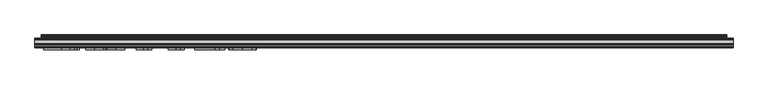
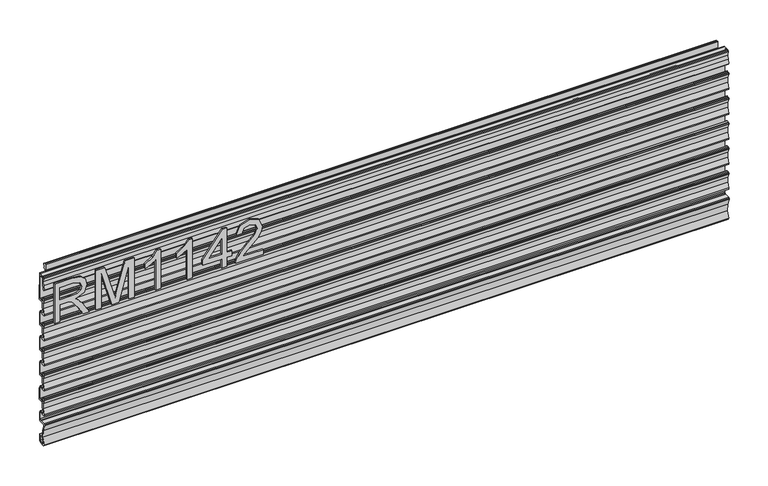
"""IFC4 building model written with IfcOpenShell, lengths in millimetres: furniture geometry."""

from ifc_helpers import new_model, si_unit, frame, origin, place, context, project, spatial, polyline, outline, extrude, source, transform, mapped, element, save


def furniture_b0a8d813(model_context):
    return source(origin(), model_context, "Body", "SweptSolid", [
        extrude(outline(polyline([(-1.5203251, 1100.0315975), (-1.9666925, 1098.9539562), (-3.0443248, 1098.507599), (-7.8320935, 1098.507599), (-9.2304101, 1097.8643606), (-9.6518461, 1096.3835826), (-9.6313991, 1090.0915793), (-11.5619729, 1084.1269724), (-11.1413331, 1081.7230857), (-9.089371, 1081.4978914), (-5.9789805, 1082.4986016), (-3.7842619, 1081.4611831), (-2.8942953, 1079.202818), (-2.8919245, 1059.3916181), (-3.3382919, 1058.3139768), (-4.4159247, 1057.8676014), (-7.8320935, 1057.8675832), (-9.2304101, 1057.2243631), (-9.6518461, 1055.743585), (-9.6313991, 1049.4515817), (-11.5724814, 1043.4664274), (-11.1413331, 1041.0830881), (-9.1141802, 1040.8498937), (-5.9789805, 1041.8585858), (-3.7842619, 1040.8211855), (-2.8919245, 1038.5636016), (-2.8919245, 1018.7516205), (-3.3382919, 1017.6739792), (-4.4159247, 1017.227622), (-7.8320935, 1017.2276038), (-9.2304101, 1016.5843655), (-9.6518461, 1015.1035965), (-9.6313991, 1008.8115841), (-11.5724814, 1002.8264389), (-11.1413331, 1000.4430905), (-9.0893321, 1000.2178997), (-5.9789805, 1001.2185974), (-3.7842619, 1000.181197), (-2.8919245, 997.9236041), (-2.8943033, 978.1108236), (-3.3406707, 977.0331823), (-4.4183029, 976.586816), (-7.8344717, 976.5868069), (-9.2327884, 975.9435685), (-9.6542246, 974.4627995), (-9.6337777, 968.1707872), (-11.5748598, 962.1856419), (-11.1437114, 959.8022936), (-9.0917104, 959.5771027), (-5.9813588, 960.5778004), (-3.7866407, 959.5404001), (-2.8943033, 957.2828071), (-1.5227039, 954.9968184), (-1.5227039, 937.4708215), (-1.9690713, 936.3931892), (-3.0467036, 935.9468184), (-7.8344717, 935.9468184), (-9.2327884, 935.3035846), (-9.654238, 933.823238), (-9.6337777, 927.5308032), (-11.5748598, 921.5456535), (-11.1437114, 919.1623096), (-9.0917751, 918.937122), (-5.9813588, 919.9378165), (-3.7866407, 918.9004161), (-2.8943033, 916.6428323), (-2.8943033, 903.6888219), (-3.3406707, 902.6111896), (-4.4183035, 902.1648188), (-11.1068079, 902.1648188), (-12.8225821, 901.2214466), (-12.9452454, 899.2672577), (-10.0279766, 890.2327483), (-9.4872673, 880.7543286), (-11.3581824, 871.4466709), (-11.0842169, 869.6112207), (-9.4332105, 868.7638047), (-6.2445587, 868.7638047), (-4.2125589, 870.7958175), (-4.2125589, 877.6792097), (-2.4345589, 880.1022449), (-2.4345589, 869.5258284), (-4.9745593, 866.98582), (-12.6521859, 866.98582), (-13.9904925, 867.7087694), (-14.1195375, 869.2243762), (-11.3316765, 880.0257836), (-12.0331893, 891.1590884), (-16.1548177, 901.5251277), (-16.1700216, 903.1339775), (-14.779196, 903.9428217), (-6.7043047, 903.9428217), (-5.2674625, 904.5379797), (-4.6723027, 905.9748016), (-4.6723027, 916.6428323), (-5.5450312, 918.0206551), (-7.1636727, 917.8204402), (-8.1594576, 917.177865), (-10.4526026, 916.6428323), (-13.9219, 916.6428323), (-15.3647113, 917.5509618), (-15.1698992, 919.2445857), (-11.6317274, 926.5529287), (-11.631722, 934.6726865), (-15.1698838, 941.981034), (-15.51787, 943.0988982), (-15.0115257, 944.1545205), (-13.9218993, 944.5828192), (-11.1493029, 944.5828192), (-10.4473985, 944.23939), (-10.287795, 943.4744476), (-10.7938049, 942.8789988), (-11.769159, 940.050892), (-11.2028935, 938.9112041), (-9.3552086, 937.7248167), (-6.7043047, 937.7248349), (-5.2674625, 938.3199929), (-4.6723027, 939.7568375), (-4.6723027, 957.2828071), (-5.5450312, 958.6606391), (-7.1636727, 958.4604242), (-8.1594576, 957.817849), (-10.4526026, 957.2828162), (-13.9219, 957.2828162), (-15.3647113, 958.1909457), (-15.169882, 959.8845924), (-11.6317274, 967.1929126), (-11.631722, 975.3126659), (-15.1698838, 982.6210134), (-15.51787, 983.7388867), (-15.0115257, 984.794509), (-13.9218993, 985.2228077), (-11.1493029, 985.2228077), (-10.4473985, 984.8793785), (-10.287795, 984.1144361), (-10.7938049, 983.5189782), (-11.769159, 980.6908805), (-11.2028935, 979.5511881), (-9.3552086, 978.3648052), (-6.7043047, 978.3648143), (-5.2674625, 978.9599814), (-4.6723027, 980.3968214), (-4.6699245, 997.9236041), (-5.5426529, 999.301436), (-7.1612939, 999.1012211), (-8.1570793, 998.4586459), (-10.4502244, 997.9236132), (-13.9195216, 997.9236132), (-15.362333, 998.8317427), (-15.1675208, 1000.5253711), (-11.629349, 1007.8337096), (-11.6293436, 1015.9534719), (-15.1675055, 1023.2618104), (-15.5154916, 1024.3796745), (-15.0091473, 1025.4352969), (-13.919521, 1025.8635956), (-11.1469245, 1025.8635956), (-10.4450199, 1025.5201754), (-10.2854168, 1024.755233), (-10.7914264, 1024.1597752), (-11.7667806, 1021.3316774), (-11.2005151, 1020.1919941), (-9.3528301, 1019.0056021), (-6.7019265, 1019.0056203), (-5.2650842, 1019.6007693), (-4.6699245, 1021.0376184), (-4.6699245, 1038.5636016), (-5.5426529, 1039.9414245), (-7.1612939, 1039.7412187), (-8.1570793, 1039.0986344), (-10.4502238, 1038.5636016), (-13.9195216, 1038.5636016), (-15.362333, 1039.4717403), (-15.1675036, 1041.1653869), (-11.629349, 1048.4736981), (-11.6293436, 1056.5934604), (-15.1675055, 1063.9018079), (-15.5154916, 1065.0196721), (-15.0091473, 1066.0752945), (-13.919521, 1066.5035932), (-11.1469245, 1066.5035932), (-10.4450199, 1066.160173), (-10.2854168, 1065.3952306), (-10.7914264, 1064.7997728), (-11.7667806, 1061.971675), (-11.2005151, 1060.8319735), (-9.3528301, 1059.6455997), (-6.7019265, 1059.6455997), (-5.2650842, 1060.2407669), (-4.6722953, 1061.6768166), (-4.6699245, 1079.2035992), (-5.5426529, 1080.5814221), (-7.1612939, 1080.3812163), (-8.1570793, 1079.7386501), (-10.4502238, 1079.2036174), (-13.9195216, 1079.2036174), (-15.362333, 1080.1117378), (-15.1675208, 1081.8053663), (-11.629349, 1089.1136956), (-11.6293436, 1097.233458), (-15.1675055, 1104.5418055), (-15.5154916, 1105.6596697), (-15.0091473, 1106.715292), (-13.919521, 1107.1435907), (-11.1469245, 1107.1435907), (-10.4450199, 1106.8001706), (-10.2854168, 1106.0352282), (-10.7914264, 1105.4397703), (-11.7667806, 1102.6116726), (-11.2005151, 1101.4719893), (-9.3528301, 1100.2855973), (-6.7019265, 1100.2856155), (-5.2650842, 1100.8807644), (-4.6699245, 1102.3176135), (-4.6722953, 1138.3848161), (-6.7042957, 1140.4168141), (-8.7022527, 1140.4168141), (-10.7230161, 1138.1714207), (-10.7357771, 1129.3350414), (-12.6188845, 1120.7016113), (-13.7438958, 1120.1392183), (-14.3053705, 1121.2646947), (-12.7931065, 1127.3965333), (-12.2716973, 1133.6934782), (-12.7552606, 1139.9934388), (-12.3214977, 1141.5276475), (-10.873458, 1142.1948125), (-4.4182956, 1142.1948125), (-3.340665, 1141.7484553), (-2.8942953, 1140.6708139), (-2.8942953, 1123.9068117), (-1.5226959, 1122.5352203), (-1.5203251, 1100.0315975)])), frame((-298.2019531, 0.0, 0.0), z_axis=(1.0, 0.0, 0.0), x_axis=(0.0, 1.0, 0.0)), (0.0, 0.0, 1.0), 1053.592),
        extrude(outline(polyline([(1065.5157553, -285.1229953), (1065.5157553, -277.1492757), (1093.423774, -277.1492757), (1093.423774, -267.524747), (1093.1434479, -262.8993666), (1091.6250149, -259.1071777), (1087.4902053, -254.8944997), (1078.7378021, -248.8986363), (1065.5157553, -240.5978696), (1065.5157553, -231.3315353), (1082.8025302, -241.9683526), (1091.0098549, -248.4314262), (1094.4204889, -252.9633645), (1100.3540576, -239.6089415), (1111.8474269, -235.2872477), (1121.4953162, -237.8958376), (1127.5846216, -244.8728423), (1129.3055122, -257.6354658), (1129.3055122, -285.1229953), (1065.5157553, -285.1229953)]), holes=[polyline([(1101.3974936, -277.1492757), (1121.3317926, -277.1492757), (1121.3317926, -257.292845), (1118.5752528, -246.6326671), (1111.5515272, -243.2609673), (1106.1396764, -245.028579), (1102.5265847, -250.1990378), (1101.3974936, -259.3018486), (1101.3974936, -277.1492757)])]), frame((0.0, -19.3508892, 0.0), z_axis=(0.0, 1.0, 0.0), x_axis=(0.0, 0.0, 1.0)), (0.0, 0.0, 1.0), 2.38125),
        extrude(outline(polyline([(1065.5157553, -221.3332384), (1065.5157553, -213.3595188), (1121.3317926, -213.3595188), (1065.5157553, -197.3342112), (1065.5157553, -186.5260834), (1121.3317926, -170.5007758), (1065.5157553, -170.5007758), (1065.5157553, -162.5270562), (1129.3055122, -162.5270562), (1129.3055122, -176.2474605), (1085.1230072, -189.0801655), (1074.9534, -191.9301473), (1084.3443237, -194.5620977), (1129.3055122, -207.6128341), (1129.3055122, -221.3332384), (1065.5157553, -221.3332384)])), frame((0.0, -19.3508892, 0.0), z_axis=(0.0, 1.0, 0.0), x_axis=(0.0, 0.0, 1.0)), (0.0, 0.0, 1.0), 2.38125),
        extrude(outline(polyline([(1065.5157553, -121.6617432), (1129.3055122, -121.6617432), (1129.3055122, -126.8010546), (1120.8178615, -133.8948618), (1113.358073, -145.582902), (1105.8204162, -145.582902), (1109.8462102, -137.1886933), (1115.2269135, -129.6354628), (1065.5157553, -129.6354628), (1065.5157553, -121.6617432)])), frame((0.0, -19.3508892, 0.0), z_axis=(0.0, 1.0, 0.0), x_axis=(0.0, 0.0, 1.0)), (0.0, 0.0, 1.0), 2.38125),
        extrude(outline(polyline([(1065.5157553, -72.8227105), (1129.3055122, -72.8227105), (1129.3055122, -77.962022), (1120.8178615, -85.0558292), (1113.358073, -96.7438694), (1105.8204162, -96.7438694), (1109.8462102, -88.3496606), (1115.2269135, -80.7964301), (1065.5157553, -80.7964301), (1065.5157553, -72.8227105)])), frame((0.0, -19.3508892, 0.0), z_axis=(0.0, 1.0, 0.0), x_axis=(0.0, 0.0, 1.0)), (0.0, 0.0, 1.0), 2.38125),
        extrude(outline(polyline([(1065.5157553, -27.9705376), (1065.5157553, -19.996818), (1080.4664796, -19.996818), (1080.4664796, -12.0230984), (1088.4401992, -12.0230984), (1088.4401992, -19.996818), (1128.3087973, -19.996818), (1128.3087973, -25.9771077), (1088.4401992, -56.8752713), (1080.4664796, -56.8752713), (1080.4664796, -27.9705376), (1065.5157553, -27.9705376)]), holes=[polyline([(1088.4401992, -27.9705376), (1088.4401992, -47.0638585), (1113.0777469, -27.9705376), (1088.4401992, -27.9705376)])]), frame((0.0, -19.3508892, 0.0), z_axis=(0.0, 1.0, 0.0), x_axis=(0.0, 0.0, 1.0)), (0.0, 0.0, 1.0), 2.38125),
        extrude(outline(polyline([(1073.4894749, 35.8192193), (1073.4894749, 4.5005667), (1077.5464162, 8.0980847), (1085.2164493, 17.270977), (1096.1413796, 28.6942648), (1103.9593625, 33.4053003), (1111.5203798, 34.8225043), (1124.1973481, 29.5663903), (1129.3055122, 15.2931207), (1124.7112793, 1.0665722), (1111.3646431, -5.0460937), (1110.3679281, 2.9276259), (1118.4195161, 6.283752), (1121.3317926, 15.1218104), (1118.3494346, 23.6016743), (1111.037596, 26.8487847), (1102.0048668, 23.4070034), (1088.7205253, 9.6398781), (1079.4775515, -0.3428451), (1071.0132612, -5.1862568), (1065.5157553, -6.0428087), (1065.5157553, 35.8192193), (1073.4894749, 35.8192193)])), frame((0.0, -19.3508892, 0.0), z_axis=(0.0, 1.0, 0.0), x_axis=(0.0, 0.0, 1.0)), (0.0, 0.0, 1.0), 2.38125),
        extrude(outline(polyline([(-2.4778341, 1142.2634102), (-1.9926973, 1143.1036919), (-1.9926973, 1152.1694007), (-1.230698, 1152.9314), (0.2933028, 1152.9314), (1.6339822, 1152.5140926), (2.500959, 1151.4095816), (2.5879063, 1150.0081591), (1.8645471, 1147.0497459), (2.0301563, 1145.8467307), (3.3001562, 1143.6470103), (2.4041842, 1143.1297244), (-1.230698, 1143.1297244), (-1.1114397, 1142.2634102), (-1.9926973, 1142.2634102), (-1.9926973, 1121.6876253), (-2.4778341, 1120.6472459), (-2.4778341, 1142.2634102)])), frame((-288.6709995, 0.0, 0.0), z_axis=(1.0, 0.0, 0.0), x_axis=(0.0, 1.0, 0.0)), (0.0, 0.0, 1.0), 1034.5420058),
        extrude(outline(polyline([(-2.4778341, 1142.3201872), (-2.4778341, 1138.9903033), (-11.2152663, 1138.9903033), (-12.3431975, 1139.1451812), (-13.7180128, 1139.9389372), (-13.7180128, 1141.5264312), (-12.3431975, 1142.3201872), (-2.4778341, 1142.3201872)])), frame((-298.2019531, 0.0, 0.0), z_axis=(1.0, 0.0, 0.0), x_axis=(0.0, 1.0, 0.0)), (0.0, 0.0, 1.0), 1053.6039063),
    ])


if __name__ == "__main__":
    model = new_model("IFC4")
    model_context = context("Model", 3, world=origin())
    ifc_project = project(units=[si_unit("LENGTHUNIT", "METRE", prefix="MILLI")], contexts=[model_context])
    site = spatial("IfcSite", under=ifc_project)
    building = spatial("IfcBuilding", under=site)
    placement = place(None, origin())
    furniture_shape = furniture_b0a8d813(model_context)
    element("IfcFurniture", 1, at=placement, inside=building, context=model_context, shape_type="MappedRepresentation", body=[
        mapped(furniture_shape, transform((0.0, 0.0, 0.0), x_axis=(1.0, 0.0, 0.0), y_axis=(0.0, 1.0, 0.0), z_axis=(0.0, 0.0, 1.0))),
    ])
    save(model, "model.ifc")
